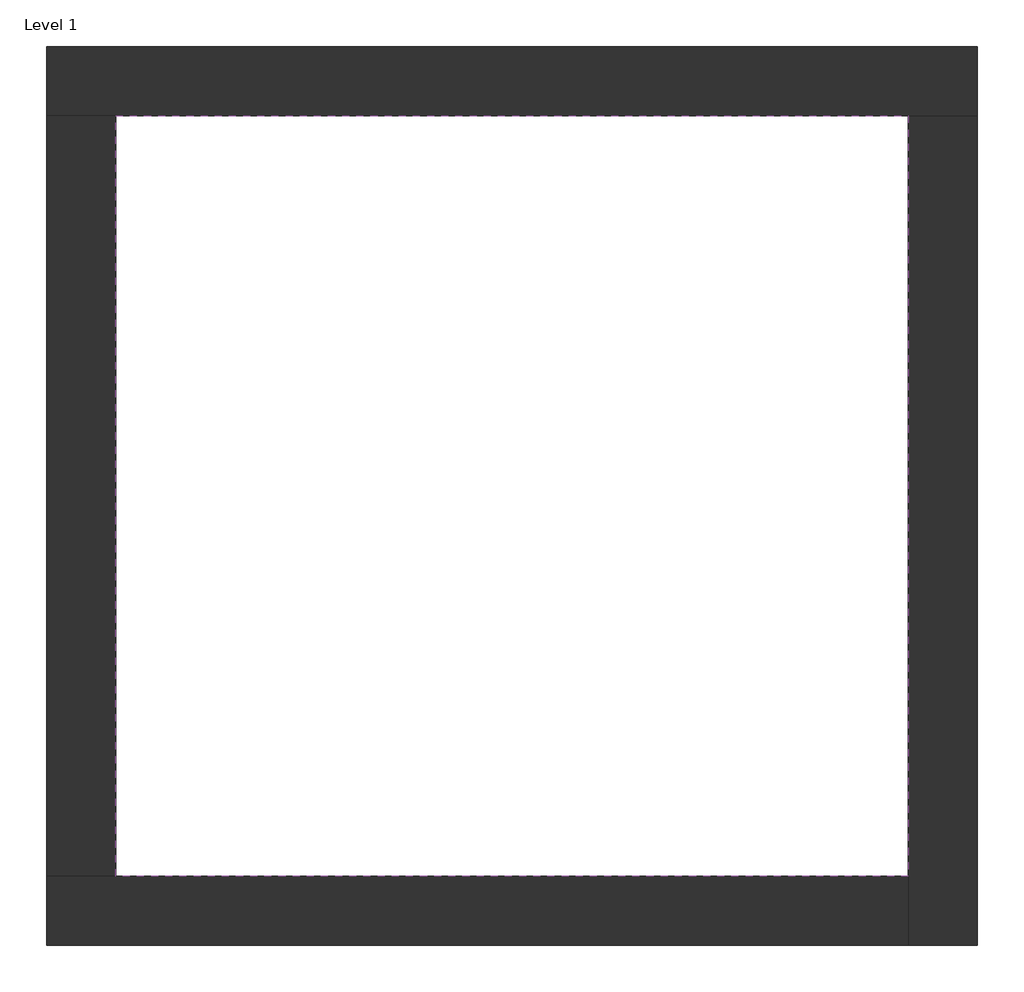
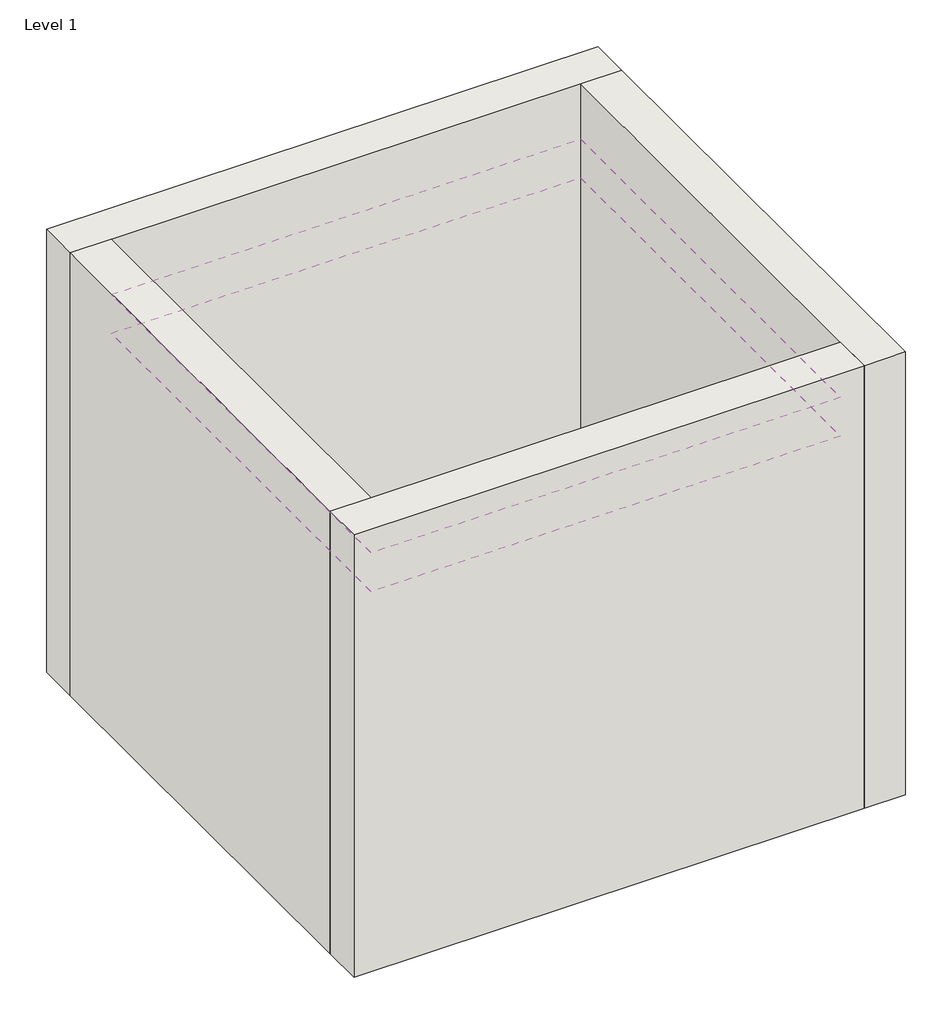
# One storey: 4 walls, 2 coverings.
"""IFC4 building model written with IfcOpenShell, lengths in millimetres."""

import ifcopenshell
import ifcopenshell.guid

model = None  # the IFC model being written
_history = None  # IfcOwnerHistory: only IFC2X3 demands one
_inside = {}  # id of a spatial element -> (the spatial element, [elements in it])
_under = {}  # id of a project, library or spatial element -> (it, [spatial elements below it])
_declared = {}  # id of a project -> (the project, [libraries it declares])
_typed = {}  # id of a type object -> (the type object, [elements of that type])
_made_of = {}  # id of a material, layer set ... -> (it, [elements and type objects made of it])


def new_model(schema):
    """Start an empty IFC model of exactly this schema.

    Asked for "IFC4X3", IfcOpenShell would pick the latest addendum, in which some entities
    have other attributes; the version numbers below select the first issue.
    IFC2X3 requires an IfcOwnerHistory on every rooted entity: one is made here for all.
    """
    global model, _history
    if schema == "IFC4X3":
        model = ifcopenshell.file(schema_version=(4, 3, 0, 0))
    else:
        model = ifcopenshell.file(schema=schema)
    _inside.clear()
    _under.clear()
    _declared.clear()
    _typed.clear()
    _made_of.clear()
    _history = None
    if model.schema == "IFC2X3":
        org = make("IfcOrganization", Name="unknown")
        user = make(
            "IfcPersonAndOrganization",
            ThePerson=make("IfcPerson", FamilyName="unknown"),
            TheOrganization=org,
        )
        app = make(
            "IfcApplication",
            ApplicationDeveloper=org,
            Version="unknown",
            ApplicationFullName="unknown",
            ApplicationIdentifier="unknown",
        )
        _history = make(
            "IfcOwnerHistory",
            OwningUser=user,
            OwningApplication=app,
            ChangeAction="ADDED",
            CreationDate=0,
        )
    return model


def make(cls, **values):
    """One entity of the class cls with the attributes given. An attribute that is None is left unset."""
    return model.create_entity(
        cls, **{name: value for name, value in values.items() if value is not None}
    )


def rooted(cls, **values):
    """An entity with a GlobalId (a new one), such as an element, a storey or a relation."""
    return make(cls, GlobalId=ifcopenshell.guid.new(), OwnerHistory=_history, **values)


def si_unit(unit_type, name, prefix=None):
    """IfcSIUnit, for example si_unit("LENGTHUNIT", "METRE", prefix="MILLI")."""
    return make("IfcSIUnit", UnitType=unit_type, Prefix=prefix, Name=name)


def assignment(units):
    """IfcUnitAssignment: the units of a project."""
    return None if units is None else make("IfcUnitAssignment", Units=units)


def point(xyz):
    """IfcCartesianPoint."""
    return None if xyz is None else make("IfcCartesianPoint", Coordinates=xyz)


def direction(xyz):
    """IfcDirection."""
    return None if xyz is None else make("IfcDirection", DirectionRatios=xyz)


def frame(location, z_axis=None, x_axis=None):
    """IfcAxis2Placement3D, a coordinate frame: its origin and axes. An axis left out is left unset."""
    return make(
        "IfcAxis2Placement3D",
        Location=point(location),
        Axis=direction(z_axis),
        RefDirection=direction(x_axis),
    )


def origin():
    """The frame at (0, 0, 0) with its axes left unset."""
    return frame((0.0, 0.0, 0.0))


def origin_with_axes():
    """The frame at (0, 0, 0) with the z axis (0, 0, 1) and the x axis (1, 0, 0) written out."""
    return frame((0.0, 0.0, 0.0), z_axis=(0.0, 0.0, 1.0), x_axis=(1.0, 0.0, 0.0))


def place(relative_to, where):
    """IfcLocalPlacement: puts the frame where relative to a parent placement (None: the world)."""
    return make(
        "IfcLocalPlacement", PlacementRelTo=relative_to, RelativePlacement=where
    )


def context(
    kind, dimensions, precision=None, world=None, true_north=None, identifier=None
):
    """IfcGeometricRepresentationContext, for example the 3D "Model" context."""
    return make(
        "IfcGeometricRepresentationContext",
        ContextIdentifier=identifier,
        ContextType=kind,
        CoordinateSpaceDimension=dimensions,
        Precision=precision,
        WorldCoordinateSystem=world,
        TrueNorth=true_north,
    )


def project(units=None, contexts=None):
    """IfcProject with its units and contexts."""
    return rooted(
        "IfcProject",
        Name="project",
        RepresentationContexts=contexts,
        UnitsInContext=assignment(units),
    )


def spatial(cls, under=None, at=None, **own):
    """A site, building, storey or space (cls), placed at a placement, below another one or the project."""
    s = rooted(cls, ObjectPlacement=at, **own)
    if under is not None:
        _under.setdefault(under.id(), (under, []))[1].append(s)
    return s


def polyline(points):
    """IfcPolyline through the points."""
    return make("IfcPolyline", Points=[point(p) for p in points])


def outline(outer, holes=None, kind="AREA"):
    """IfcArbitraryClosedProfileDef: a profile drawn as a closed curve; with holes, ...WithVoids."""
    if holes is None:
        return make("IfcArbitraryClosedProfileDef", ProfileType=kind, OuterCurve=outer)
    return make(
        "IfcArbitraryProfileDefWithVoids",
        ProfileType=kind,
        OuterCurve=outer,
        InnerCurves=holes,
    )


def extrude(swept, where, along, depth):
    """IfcExtrudedAreaSolid: the profile swept, set in the frame where, extruded along a direction by depth."""
    return make(
        "IfcExtrudedAreaSolid",
        SweptArea=swept,
        Position=where,
        ExtrudedDirection=direction(along),
        Depth=depth,
    )


def faces_of(points, faces, orient=None, outer=None):
    """IfcFace entities. A face is a list of loops; a loop is a list of indices into points, from 0.

    orient and outer hold one flag for each loop. By default every Orientation is true, the
    first loop of a face is its IfcFaceOuterBound and the others are IfcFaceBound.
    """
    made = []
    for i, loops in enumerate(faces):
        bounds = []
        for j, loop in enumerate(loops):
            is_outer = j == 0 if outer is None else outer[i][j]
            bounds.append(
                make(
                    "IfcFaceOuterBound" if is_outer else "IfcFaceBound",
                    Bound=make("IfcPolyLoop", Polygon=[points[k] for k in loop]),
                    Orientation=True if orient is None else orient[i][j],
                )
            )
        made.append(make("IfcFace", Bounds=bounds))
    return made


def faceted_brep(points, faces, orient=None, outer=None, voids=None):
    """IfcFacetedBrep: a solid bounded by flat faces; with voids (closed shells), ...WithVoids."""
    shared = [point(p) for p in points]
    hull = make("IfcClosedShell", CfsFaces=faces_of(shared, faces, orient, outer))
    if voids is None:
        return make("IfcFacetedBrep", Outer=hull)
    return make(
        "IfcFacetedBrepWithVoids",
        Outer=hull,
        Voids=[
            make(cls, CfsFaces=faces_of(shared, fs, o, b)) for cls, fs, o, b in voids
        ],
    )


def shape(context_of_items, identifier, shape_type, items):
    """IfcShapeRepresentation: the items that make up one representation, for example the "Body"."""
    return make(
        "IfcShapeRepresentation",
        ContextOfItems=context_of_items,
        RepresentationIdentifier=identifier,
        RepresentationType=shape_type,
        Items=items,
    )


def made_of(thing, what):
    """Note that an element or type object is made of a material, layer set ...; save() writes the relation."""
    if what is not None:
        _made_of.setdefault(what.id(), (what, []))[1].append(thing)
    return thing


def element(
    cls,
    number,
    at=None,
    inside=None,
    cuts=None,
    type_object=None,
    material=None,
    context=None,
    identifier="Body",
    shape_type=None,
    held_by="IfcProductDefinitionShape",
    body=None,
    shapes=None,
    **own,
):
    """One element of the class cls, such as IfcWall. Its Tag is "e" and its number.

    at: its placement. inside: the storey or other place that contains it. cuts: it is an
    opening in that element (IfcRelVoidsElement). A single representation is given by context,
    identifier, shape_type and body (its items); several are given by shapes. held_by: the class
    of the entity that holds the representations. save() writes the other relations.
    """
    e = rooted(cls, Tag="e%d" % number, ObjectPlacement=at, **own)
    if body is not None:
        shapes = [shape(context, identifier, shape_type, body)]
    if shapes is not None:
        e.Representation = make(held_by, Representations=shapes)
    if inside is not None:
        _inside.setdefault(inside.id(), (inside, []))[1].append(e)
    if cuts is not None:
        rooted(
            "IfcRelVoidsElement", RelatingBuildingElement=cuts, RelatedOpeningElement=e
        )
    if type_object is not None:
        _typed.setdefault(type_object.id(), (type_object, []))[1].append(e)
    return made_of(e, material)


def aggregate(whole, parts):
    """IfcRelAggregates: a whole, such as a stair, and the parts it consists of."""
    return rooted("IfcRelAggregates", RelatingObject=whole, RelatedObjects=parts)


def save(model, path):
    """Write the relations noted so far, then the file.

    IfcRelAggregates (storeys below a building ...), IfcRelContainedInSpatialStructure (elements
    in a storey), IfcRelDefinesByType, IfcRelAssociatesMaterial and IfcRelDeclares: one each for
    every whole, place, type object, material and project.
    """
    for whole, parts in _under.values():
        aggregate(whole, parts)
    for where, things in _inside.values():
        rooted(
            "IfcRelContainedInSpatialStructure",
            RelatedElements=things,
            RelatingStructure=where,
        )
    for kind, things in _typed.values():
        rooted("IfcRelDefinesByType", RelatedObjects=things, RelatingType=kind)
    for what, things in _made_of.values():
        rooted("IfcRelAssociatesMaterial", RelatedObjects=things, RelatingMaterial=what)
    for by, libraries in _declared.values():
        rooted("IfcRelDeclares", RelatingContext=by, RelatedDefinitions=libraries)
    model.write(path)


model = new_model("IFC4")

# Units and contexts
model_context = context("Model", 3, world=origin())
ifc_project = project(units=[si_unit("LENGTHUNIT", "METRE", prefix="MILLI")], contexts=[model_context])

# Site, building, storey
site = spatial("IfcSite", under=ifc_project)
building = spatial("IfcBuilding", under=site)
storey = spatial("IfcBuildingStorey", under=building, Name="Level 1", Elevation=0.0)

# Coverings
placement = place(None, origin())
element("IfcCovering", 1, at=placement, inside=storey, context=model_context, shape_type="SweptSolid", body=[
    extrude(outline(polyline([(-14894.8573003, 6921.2750283), (-10882.3573003, 6921.2750283), (-10882.3573003, 3071.2750283), (-14894.8573003, 3071.2750283), (-14894.8573003, 6921.2750283)])), frame((0.0, 0.0, 3500.0), z_axis=(0.0, 0.0, 1.0), x_axis=(1.0, 0.0, 0.0)), (0.0, 0.0, 1.0), 30.0),
])
element("IfcCovering", 2, at=placement, inside=storey, context=model_context, shape_type="SweptSolid", body=[
    extrude(outline(polyline([(-14894.8573003, 6921.2750283), (-10882.3573003, 6921.2750283), (-10882.3573003, 3071.2750283), (-14894.8573003, 3071.2750283), (-14894.8573003, 6921.2750283)])), frame((0.0, 0.0, 3150.0), z_axis=(0.0, 0.0, 1.0), x_axis=(1.0, 0.0, 0.0)), (0.0, 0.0, 1.0), 30.0),
])

# Walls
element("IfcWall", 3, ObjectType="Exterior - Brick on Mtl. Stud", at=placement, inside=storey, context=model_context, shape_type="Brep", body=[
    faceted_brep([(-15244.8573003, 6921.2750283, 0.0), (-14894.8573003, 6921.2750283, 0.0), (-10882.3573003, 6921.2750283, 0.0), (-10532.3573003, 6921.2750283, 0.0), (-10532.3573003, 6921.2750283, 4000.0), (-10882.3573003, 6921.2750283, 4000.0), (-14894.8573003, 6921.2750283, 4000.0), (-15244.8573003, 6921.2750283, 4000.0), (-15244.8573003, 7271.2750283, 0.0), (-15244.8573003, 7271.2750283, 4000.0), (-10532.3573003, 7271.2750283, 4000.0), (-10532.3573003, 7271.2750283, 0.0)], [[[0, 1, 2, 3, 4, 5, 6, 7]], [[8, 9, 10, 11]], [[3, 2, 1, 0, 8, 11]], [[7, 6, 5, 4, 10, 9]], [[0, 7, 9, 8]], [[4, 3, 11, 10]]]),
])
element("IfcWall", 4, ObjectType="Exterior - Brick on Mtl. Stud", at=placement, inside=storey, context=model_context, shape_type="Brep", body=[
    faceted_brep([(-10882.3573003, 6921.2750283, 0.0), (-10882.3573003, 3071.2750283, 0.0), (-10882.3573003, 2721.2750283, 0.0), (-10882.3573003, 2721.2750283, 4000.0), (-10882.3573003, 3071.2750283, 4000.0), (-10882.3573003, 6921.2750283, 4000.0), (-10532.3573003, 6921.2750283, 0.0), (-10532.3573003, 6921.2750283, 4000.0), (-10532.3573003, 2721.2750283, 4000.0), (-10532.3573003, 2721.2750283, 0.0)], [[[0, 1, 2, 3, 4, 5]], [[6, 7, 8, 9]], [[2, 1, 0, 6, 9]], [[5, 4, 3, 8, 7]], [[3, 2, 9, 8]], [[0, 5, 7, 6]]]),
])
element("IfcWall", 5, ObjectType="Exterior - Brick on Mtl. Stud", at=placement, inside=storey, context=model_context, shape_type="Brep", body=[
    faceted_brep([(-10882.3573003, 3071.2750283, 0.0), (-14894.8573003, 3071.2750283, 0.0), (-15244.8573003, 3071.2750283, 0.0), (-15244.8573003, 3071.2750283, 4000.0), (-14894.8573003, 3071.2750283, 4000.0), (-10882.3573003, 3071.2750283, 4000.0), (-10882.3573003, 2721.2750283, 0.0), (-10882.3573003, 2721.2750283, 4000.0), (-15244.8573003, 2721.2750283, 4000.0), (-15244.8573003, 2721.2750283, 0.0)], [[[0, 1, 2, 3, 4, 5]], [[6, 7, 8, 9]], [[2, 1, 0, 6, 9]], [[5, 4, 3, 8, 7]], [[3, 2, 9, 8]], [[0, 5, 7, 6]]]),
])
element("IfcWall", 6, ObjectType="Exterior - Brick on Mtl. Stud", at=placement, inside=storey, context=model_context, shape_type="SweptSolid", body=[
    extrude(outline(polyline([(-14894.8573003, 6921.2750283), (-14894.8573003, 3071.2750283), (-15244.8573003, 3071.2750283), (-15244.8573003, 6921.2750283), (-14894.8573003, 6921.2750283)])), origin_with_axes(), (0.0, 0.0, 1.0), 4000.0),
])

save(model, "model.ifc")
